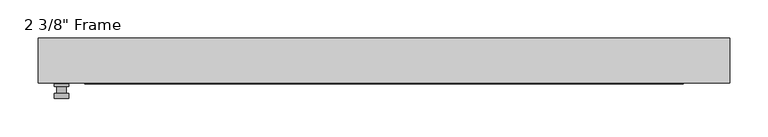
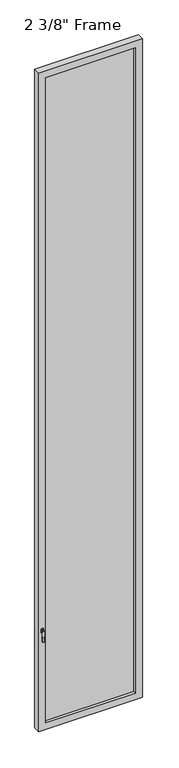
"""IFC4 building model written with IfcOpenShell, lengths in millimetres: plate geometry."""

from ifc_helpers import new_model, si_unit, frame, origin, place, context, project, spatial, polyline, circle_curve, outline, extrude, faceted_brep, source, transform, mapped, element, save
from ifc_brep_helpers import plane_surface, cylinder_surface, advanced_brep


def plate_fd14962d(model_context):
    return source(origin(), model_context, "Body", "SolidModel", [
        advanced_brep(
        [(-410.5275, -29.36875, 927.1), (-410.5275, -29.36875, 901.7), (-429.5775, -29.36875, 901.7), (-429.5775, -29.36875, 927.1), (-413.7025, -42.06875, 914.4), (-426.4025, -42.06875, 914.4), (-426.4025, -32.54375, 914.4), (-413.7025, -32.54375, 914.4), (-410.5275, -42.06875, 914.4), (-413.7065356, -42.06875, 825.2736467), (-426.3984644, -42.06875, 825.2736467), (-429.5775, -42.06875, 914.4), (-410.5275, -48.41875, 914.4), (-429.5775, -48.41875, 914.4), (-426.3984644, -48.41875, 825.2736467), (-413.7065356, -48.41875, 825.2736467), (-410.5275, -32.54375, 927.1), (-429.5775, -32.54375, 927.1), (-429.5775, -32.54375, 901.7), (-410.5275, -32.54375, 901.7)],
        [
            (0, 1),
            (1, 2, circle_curve(frame((-420.0525, -29.36875, 901.7), z_axis=(0.0, 1.0, 0.0), x_axis=(-1.0, 0.0, 0.0)), 9.525)),
            (2, 3),
            (3, 0, circle_curve(frame((-420.0525, -29.36875, 927.1), z_axis=(0.0, 1.0, 0.0), x_axis=(-1.0, 0.0, 0.0)), 9.525)),
            (4, 5, circle_curve(frame((-420.0525, -42.06875, 914.4), z_axis=(0.0, 1.0, 0.0), x_axis=(-1.0, 0.0, 0.0)), 6.35)),
            (5, 6),
            (6, 7, circle_curve(frame((-420.0525, -32.54375, 914.4), z_axis=(0.0, -1.0, 0.0), x_axis=(-1.0, 0.0, 0.0)), 6.35)),
            (7, 4),
            (5, 4, circle_curve(frame((-420.0525, -42.06875, 914.4), z_axis=(0.0, 1.0, 0.0), x_axis=(-1.0, 0.0, 0.0)), 6.35)),
            (7, 6, circle_curve(frame((-420.0525, -32.54375, 914.4), z_axis=(0.0, -1.0, 0.0), x_axis=(-1.0, 0.0, 0.0)), 6.35)),
            (8, 9),
            (9, 10, circle_curve(frame((-420.0525, -42.06875, 825.5), z_axis=(0.0, 1.0, 0.0), x_axis=(-1.0, 0.0, 0.0)), 6.35)),
            (10, 11),
            (11, 8, circle_curve(frame((-420.0525, -42.06875, 914.4), z_axis=(0.0, 1.0, 0.0), x_axis=(-1.0, 0.0, 0.0)), 9.525)),
            (12, 13, circle_curve(frame((-420.0525, -48.41875, 914.4), z_axis=(0.0, -1.0, 0.0), x_axis=(-1.0, 0.0, 0.0)), 9.525)),
            (13, 14),
            (14, 15, circle_curve(frame((-420.0525, -48.41875, 825.5), z_axis=(0.0, -1.0, 0.0), x_axis=(-1.0, 0.0, 0.0)), 6.35)),
            (15, 12),
            (8, 12),
            (15, 9),
            (14, 10),
            (13, 11),
            (16, 17, circle_curve(frame((-420.0525, -32.54375, 927.1), z_axis=(0.0, -1.0, 0.0), x_axis=(-1.0, 0.0, 0.0)), 9.525)),
            (17, 18),
            (18, 19, circle_curve(frame((-420.0525, -32.54375, 901.7), z_axis=(0.0, -1.0, 0.0), x_axis=(-1.0, 0.0, 0.0)), 9.525)),
            (19, 16),
            (0, 16),
            (19, 1),
            (18, 2),
            (17, 3),
        ],
        [
            plane_surface(frame((-426.4025, -29.36875, 914.4), z_axis=(0.0, 1.0, 0.0), x_axis=(0.0, 0.0, 1.0))),
            cylinder_surface(frame((-420.0525, -42.06875, 914.4), z_axis=(0.0, 1.0, 0.0), x_axis=(-1.0, 0.0, 0.0)), 6.35),
            plane_surface(frame((-410.5275, -42.06875, 914.4), z_axis=(0.0, 1.0000000000000002, 0.0), x_axis=(-0.03564619348186888, 0.0, -0.9993644724975235))),
            plane_surface(frame((-410.5275, -48.41875, 914.4), z_axis=(0.0, -1.0000000000000002, 0.0), x_axis=(0.03564619348186888, 0.0, 0.9993644724975235))),
            plane_surface(frame((-410.5275, -42.06875, 914.4), z_axis=(0.9993644724975235, 0.0, -0.03564619348186888), x_axis=(0.0, -1.0, 0.0))),
            cylinder_surface(frame((-420.0525, -48.41875, 825.5), z_axis=(0.0, 1.0, 0.0), x_axis=(-1.0, 0.0, 0.0)), 6.35),
            plane_surface(frame((-426.3984644, -42.06875, 825.2736467), z_axis=(-0.9993644724975228, 0.0, -0.03564619348188612), x_axis=(0.0, -1.0, 0.0))),
            cylinder_surface(frame((-420.0525, -48.41875, 914.4), z_axis=(0.0, 1.0, 0.0), x_axis=(-1.0, 0.0, 0.0)), 9.525),
            plane_surface(frame((-410.5275, -32.54375, 901.7), z_axis=(0.0, -1.0, 0.0), x_axis=(0.0, 0.0, 1.0))),
            plane_surface(frame((-410.5275, -29.36875, 927.1), z_axis=(1.0, 0.0, 0.0), x_axis=(0.0, -1.0, 0.0))),
            cylinder_surface(frame((-420.0525, -32.54375, 901.7), z_axis=(0.0, 1.0, 0.0), x_axis=(-1.0, 0.0, 0.0)), 9.525),
            plane_surface(frame((-429.5775, -29.36875, 901.7), z_axis=(-1.0, 0.0, 0.0), x_axis=(0.0, -1.0, 0.0))),
            cylinder_surface(frame((-420.0525, -32.54375, 927.1), z_axis=(0.0, 1.0, 0.0), x_axis=(-1.0, 0.0, 0.0)), 9.525),
        ],
        [
            (0, [[1, 2, 3, 4]]),
            (1, [[5, 6, 7, 8]]),
            (1, [[9, -8, 10, -6]]),
            (2, [[11, 12, 13, 14], [-5, -9]]),
            (3, [[15, 16, 17, 18]]),
            (4, [[-11, 19, -18, 20]]),
            (5, [[-12, -20, -17, 21]]),
            (6, [[-13, -21, -16, 22]]),
            (7, [[-14, -22, -15, -19]]),
            (8, [[23, 24, 25, 26], [-7, -10]]),
            (9, [[-1, 27, -26, 28]]),
            (10, [[-2, -28, -25, 29]]),
            (11, [[-3, -29, -24, 30]]),
            (12, [[-4, -30, -23, -27]]),
        ],
    ),
        faceted_brep([(-450.215, -29.36875, 0.0), (-450.215, 29.36875, 0.0), (450.215, 29.36875, 0.0), (450.215, -29.36875, 0.0), (-389.89, 29.36875, 5964.2375), (-389.89, 19.84375, 5964.2375), (-389.89, 19.84375, 60.325), (-389.89, 29.36875, 60.325), (402.59, 19.84375, 5976.9375), (-402.59, 19.84375, 5976.9375), (-402.59, 19.84375, 47.625), (402.59, 19.84375, 47.625), (389.89, 19.84375, 5964.2375), (389.89, 19.84375, 60.325), (-402.59, -3.96875, 5976.9375), (-402.59, -3.96875, 47.625), (402.59, -3.96875, 5976.9375), (402.59, -3.96875, 47.625), (-389.89, -3.96875, 5964.2375), (-389.89, -3.96875, 60.325), (389.89, -3.96875, 60.325), (389.89, -3.96875, 5964.2375), (-389.89, -29.36875, 5964.2375), (-389.89, -29.36875, 60.325), (450.215, -29.36875, 6024.5625), (-450.215, -29.36875, 6024.5625), (389.89, -29.36875, 5964.2375), (389.89, -29.36875, 60.325), (-450.215, 29.36875, 6024.5625), (450.215, 29.36875, 6024.5625), (389.89, 29.36875, 60.325), (389.89, 29.36875, 5964.2375)], [[[0, 1, 2, 3]], [[4, 5, 6, 7]], [[8, 9, 10, 11], [5, 12, 13, 6]], [[10, 9, 14, 15]], [[14, 16, 17, 15], [18, 19, 20, 21]], [[18, 22, 23, 19]], [[0, 3, 24, 25], [22, 26, 27, 23]], [[1, 0, 25, 28]], [[2, 1, 28, 29], [4, 7, 30, 31]], [[5, 4, 31, 12]], [[9, 8, 16, 14]], [[18, 21, 26, 22]], [[25, 24, 29, 28]], [[12, 31, 30, 13]], [[17, 16, 8, 11]], [[26, 21, 20, 27]], [[24, 3, 2, 29]], [[23, 27, 20, 19]], [[11, 10, 15, 17]], [[6, 13, 30, 7]]]),
        extrude(outline(polyline([(402.59, -3.96875), (-402.59, -3.96875), (-402.59, 19.84375), (402.59, 19.84375), (402.59, -3.96875)])), frame((0.0, 0.0, 47.625), z_axis=(0.0, 0.0, 1.0), x_axis=(1.0, 0.0, 0.0)), (0.0, 0.0, 1.0), 5929.3125),
    ])


if __name__ == "__main__":
    model = new_model("IFC4")
    model_context = context("Model", 3, world=origin())
    ifc_project = project(units=[si_unit("LENGTHUNIT", "METRE", prefix="MILLI")], contexts=[model_context])
    site = spatial("IfcSite", under=ifc_project)
    building = spatial("IfcBuilding", under=site)
    placement = place(None, origin())
    plate_shape = plate_fd14962d(model_context)
    element("IfcPlate", 1, ObjectType="2 3/8\" Frame", at=placement, inside=building, context=model_context, shape_type="MappedRepresentation", body=[
        mapped(plate_shape, transform((0.0, 0.0, 0.0), x_axis=(1.0, 0.0, 0.0), y_axis=(0.0, 1.0, 0.0), z_axis=(0.0, 0.0, 1.0))),
    ])
    save(model, "model.ifc")
